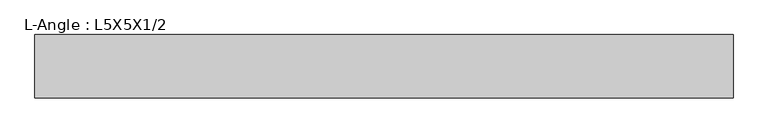
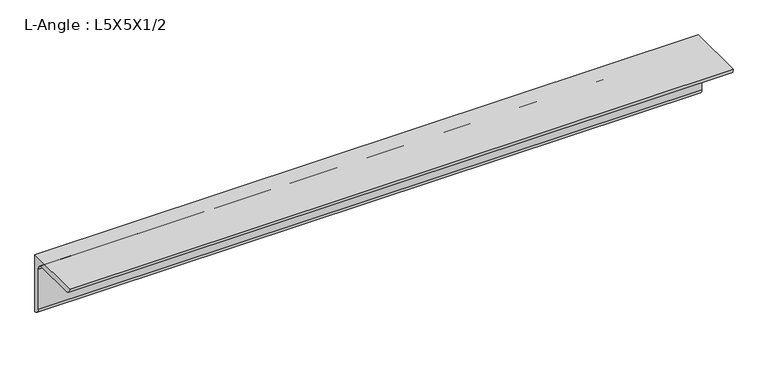
"""IFC4 building model written with IfcOpenShell, lengths in millimetres: beam geometry, L-Angle : L5X5X1/2."""

from ifc_helpers import new_model, si_unit, point, frame, frame_2d, origin, place, context, project, spatial, polyline, circle_curve, trimmed, segment, composite_curve, outline, extrude, source, transform, mapped, element, save


def l_angle_l5x5x1_2_ef8bf3bf(model_context):
    return source(origin(), model_context, "Body", "SweptSolid", [
        extrude(outline(composite_curve([segment(polyline([(36.068, 36.068), (36.068, -90.932)]), True, "CONTINUOUS"), segment(trimmed(circle_curve(frame_2d((36.068, -78.232)), 12.7), [point((36.068, -90.932))], [point((23.368, -78.232))], False, "CARTESIAN"), True, "CONTINUOUS"), segment(polyline([(23.368, -78.232), (23.368, 10.668)]), True, "CONTINUOUS"), segment(trimmed(circle_curve(frame_2d((10.668, 10.668)), 12.7), [point((23.368, 10.668))], [point((10.668, 23.368))], True, "CARTESIAN"), True, "CONTINUOUS"), segment(polyline([(10.668, 23.368), (-78.232, 23.368)]), True, "CONTINUOUS"), segment(trimmed(circle_curve(frame_2d((-78.232, 36.068)), 12.7), [point((-78.232, 23.368))], [point((-90.932, 36.068))], False, "CARTESIAN"), True, "CONTINUOUS"), segment(polyline([(-90.932, 36.068), (36.068, 36.068)]), True, "CONTINUOUS")], self_intersect=False)), frame((-735.4555239, 0.0, 0.0), z_axis=(1.0, 0.0, 0.0), x_axis=(0.0, 1.0, 0.0)), (0.0, 0.0, 1.0), 1400.0767541),
    ])


if __name__ == "__main__":
    model = new_model("IFC4")
    model_context = context("Model", 3, world=origin())
    ifc_project = project(units=[si_unit("LENGTHUNIT", "METRE", prefix="MILLI")], contexts=[model_context])
    site = spatial("IfcSite", under=ifc_project)
    building = spatial("IfcBuilding", under=site)
    placement = place(None, origin())
    l_angle_l5x5x1_2_shape = l_angle_l5x5x1_2_ef8bf3bf(model_context)
    element("IfcBeam", 1, ObjectType="L-Angle : L5X5X1/2", at=placement, inside=building, context=model_context, shape_type="MappedRepresentation", body=[
        mapped(l_angle_l5x5x1_2_shape, transform((0.0, 0.0, 0.0), x_axis=(1.0, 0.0, 0.0), y_axis=(0.0, 1.0, 0.0), z_axis=(0.0, 0.0, 1.0))),
    ])
    save(model, "model.ifc")
